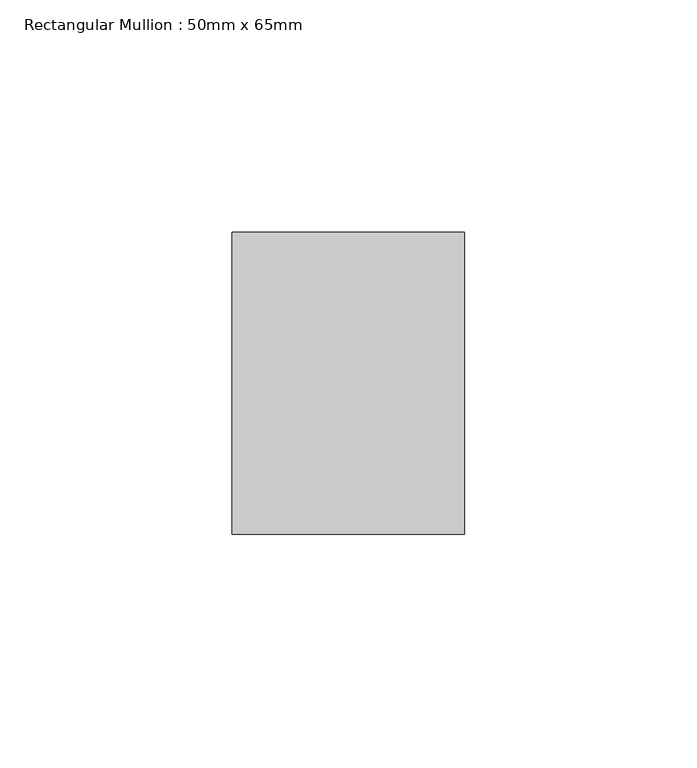
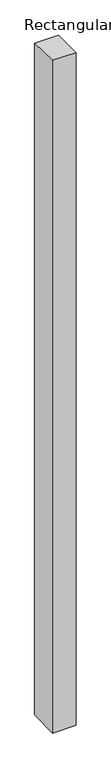
"""IFC4 building model written with IfcOpenShell, lengths in millimetres: member geometry, Rectangular Mullion : 50mm x 65mm."""

from ifc_helpers import new_model, si_unit, frame, origin, place, context, project, spatial, polyline, outline, extrude, source, transform, mapped, element, save


def rectangular_mullion_50mm_x_65mm_3cbf7ee7(model_context):
    return source(origin(), model_context, "Body", "SweptSolid", [
        extrude(outline(polyline([(-32.5, 0.563725), (32.5, -0.5637247), (32.5, -1499.5026733), (-32.5, -1500.4960286), (-32.5, 0.563725)])), frame((-25.0, 0.0, 0.0), z_axis=(1.0, 0.0, 0.0), x_axis=(0.0, 1.0, 0.0)), (0.0, 0.0, 1.0), 50.0),
    ])


if __name__ == "__main__":
    model = new_model("IFC4")
    model_context = context("Model", 3, world=origin())
    ifc_project = project(units=[si_unit("LENGTHUNIT", "METRE", prefix="MILLI")], contexts=[model_context])
    site = spatial("IfcSite", under=ifc_project)
    building = spatial("IfcBuilding", under=site)
    placement = place(None, origin())
    rectangular_mullion_50mm_x_65mm_shape = rectangular_mullion_50mm_x_65mm_3cbf7ee7(model_context)
    element("IfcMember", 1, ObjectType="Rectangular Mullion : 50mm x 65mm", at=placement, inside=building, context=model_context, shape_type="MappedRepresentation", body=[
        mapped(rectangular_mullion_50mm_x_65mm_shape, transform((0.0, 0.0, 0.0), x_axis=(1.0, 0.0, 0.0), y_axis=(0.0, 1.0, 0.0), z_axis=(0.0, 0.0, 1.0))),
    ])
    save(model, "model.ifc")
